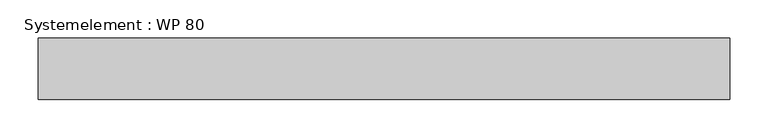
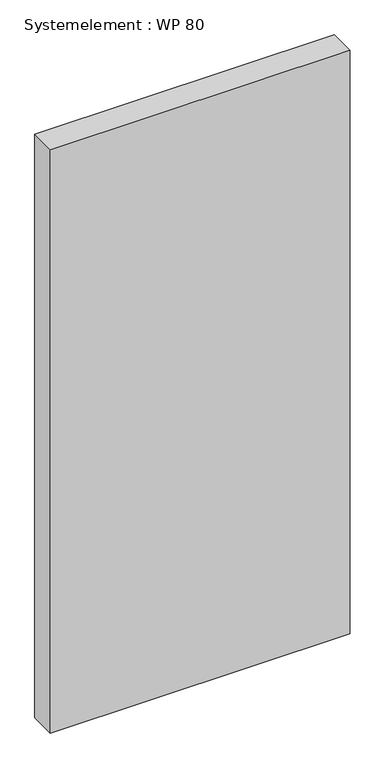
"""IFC4 building model written with IfcOpenShell, lengths in millimetres: plate geometry, Systemelement : WP 80."""

from ifc_helpers import new_model, si_unit, origin, origin_with_axes, place, context, project, spatial, polyline, outline, extrude, source, transform, mapped, element, save


def systemelement_wp_80_ffa350fe(model_context):
    return source(origin(), model_context, "Body", "SweptSolid", [
        extrude(outline(polyline([(450.0, -80.0), (-450.0, -80.0), (-450.0, 0.0), (450.0, 0.0), (450.0, -80.0)])), origin_with_axes(), (0.0, 0.0, 1.0), 1851.6147161),
    ])


if __name__ == "__main__":
    model = new_model("IFC4")
    model_context = context("Model", 3, world=origin())
    ifc_project = project(units=[si_unit("LENGTHUNIT", "METRE", prefix="MILLI")], contexts=[model_context])
    site = spatial("IfcSite", under=ifc_project)
    building = spatial("IfcBuilding", under=site)
    placement = place(None, origin())
    systemelement_wp_80_shape = systemelement_wp_80_ffa350fe(model_context)
    element("IfcPlate", 1, ObjectType="Systemelement : WP 80", at=placement, inside=building, context=model_context, shape_type="MappedRepresentation", body=[
        mapped(systemelement_wp_80_shape, transform((0.0, 0.0, 0.0), x_axis=(1.0, 0.0, 0.0), y_axis=(0.0, 1.0, 0.0), z_axis=(0.0, 0.0, 1.0))),
    ])
    save(model, "model.ifc")
